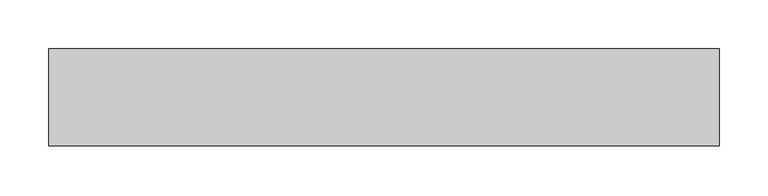
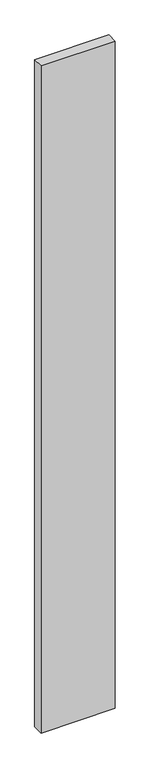
"""IFC4 building model written with IfcOpenShell, lengths in millimetres: proxy geometry."""

from ifc_helpers import new_model, si_unit, frame, origin, place, context, project, spatial, polyline, outline, extrude, source, transform, mapped, element, save


def generic_models_ae83a557(model_context):
    return source(origin(), model_context, "Body", "SweptSolid", [
        extrude(outline(polyline([(690.0, 100.0), (690.0, 0.0), (0.0, 0.0), (0.0, 100.0), (690.0, 100.0)])), frame((0.0, 0.0, -6550.0), z_axis=(0.0, 0.0, 1.0), x_axis=(1.0, 0.0, 0.0)), (0.0, 0.0, 1.0), 6550.0),
    ])


if __name__ == "__main__":
    model = new_model("IFC4")
    model_context = context("Model", 3, world=origin())
    ifc_project = project(units=[si_unit("LENGTHUNIT", "METRE", prefix="MILLI")], contexts=[model_context])
    site = spatial("IfcSite", under=ifc_project)
    building = spatial("IfcBuilding", under=site)
    placement = place(None, origin())
    generic_models_shape = generic_models_ae83a557(model_context)
    element("IfcBuildingElementProxy", 1, Name="Generic Models", at=placement, inside=building, context=model_context, shape_type="MappedRepresentation", body=[
        mapped(generic_models_shape, transform((0.0, 0.0, 0.0), x_axis=(1.0, 0.0, 0.0), y_axis=(0.0, 1.0, 0.0), z_axis=(0.0, 0.0, 1.0))),
    ])
    save(model, "model.ifc")
